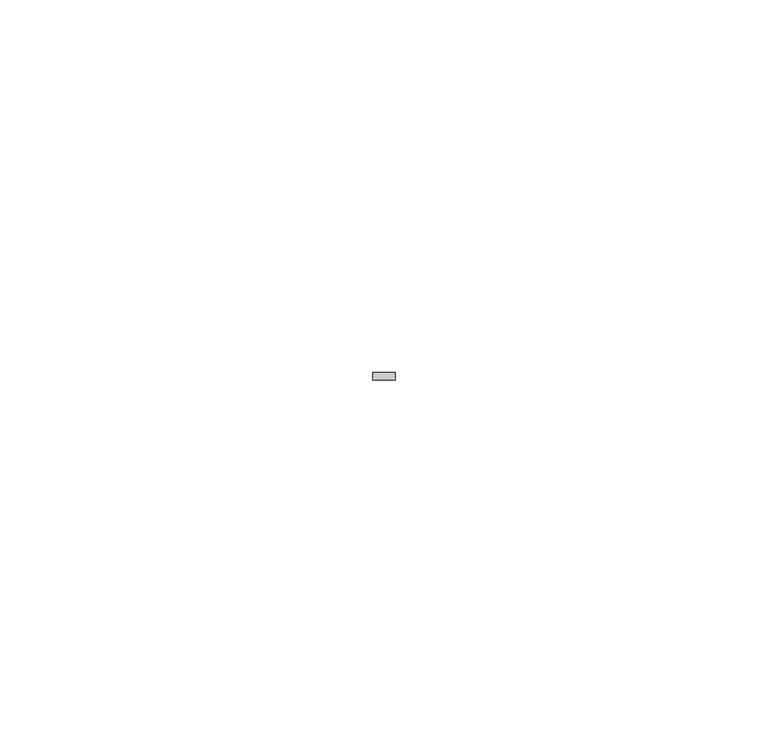
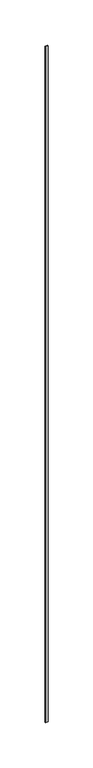
"""IFC4 building model written with IfcOpenShell, lengths in millimetres: member geometry."""

from ifc_helpers import new_model, si_unit, frame, origin, place, context, project, spatial, polyline, outline, extrude, source, transform, mapped, element, save


def member_1fa3c337(model_context):
    return source(origin(), model_context, "Body", "SweptSolid", [
        extrude(outline(polyline([(0.0, -6.0), (0.0, -7.0), (-3.0, -7.0), (-3.0, -6.0), (0.0, -6.0)])), frame((0.0, 0.0, -912.0000003), z_axis=(0.0, 0.0, 1.0), x_axis=(1.0, 0.0, 0.0)), (0.0, 0.0, 1.0), 912.0000003),
    ])


if __name__ == "__main__":
    model = new_model("IFC4")
    model_context = context("Model", 3, world=origin())
    ifc_project = project(units=[si_unit("LENGTHUNIT", "METRE", prefix="MILLI")], contexts=[model_context])
    site = spatial("IfcSite", under=ifc_project)
    building = spatial("IfcBuilding", under=site)
    placement = place(None, origin())
    member_shape = member_1fa3c337(model_context)
    element("IfcMember", 1, at=placement, inside=building, context=model_context, shape_type="MappedRepresentation", body=[
        mapped(member_shape, transform((0.0, 0.0, 0.0), x_axis=(1.0, 0.0, 0.0), y_axis=(0.0, 1.0, 0.0), z_axis=(0.0, 0.0, 1.0))),
    ])
    save(model, "model.ifc")
